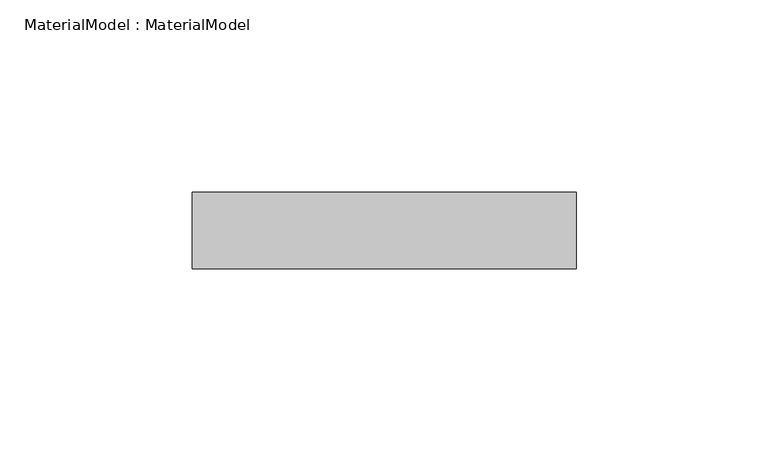
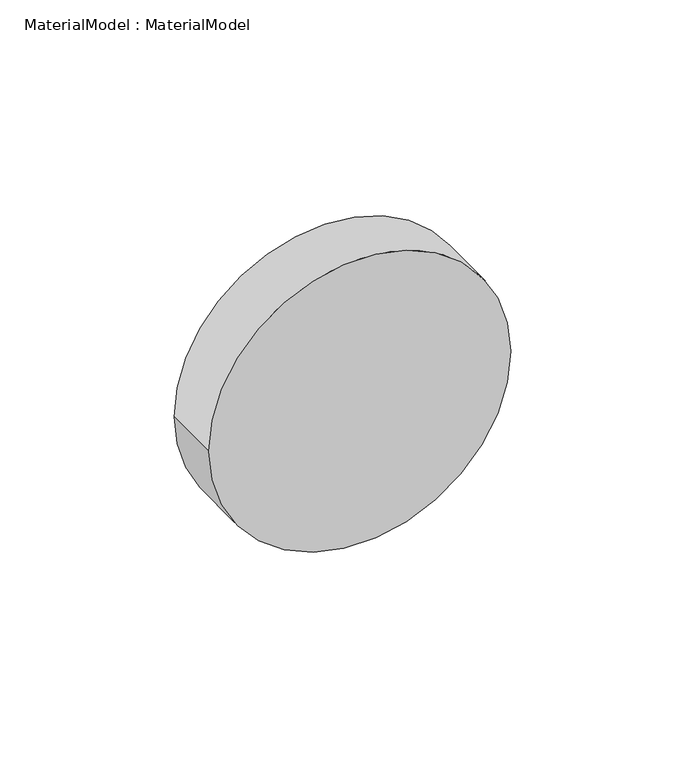
"""IFC4 building model written with IfcOpenShell, lengths in millimetres: proxy geometry, MaterialModel : MaterialModel."""

from ifc_helpers import new_model, si_unit, point, frame, frame_2d, origin, place, context, project, spatial, circle_curve, trimmed, segment, composite_curve, outline, extrude, source, transform, mapped, element, save


def materialmodel_materialmodel_13df9e44(model_context):
    return source(origin(), model_context, "Body", "SweptSolid", [
        extrude(outline(composite_curve([segment(trimmed(circle_curve(frame_2d((10.0, 0.0)), 50.0), [point((10.0, -50.0))], [point((10.0, 50.0))], False, "CARTESIAN"), True, "CONTINUOUS"), segment(trimmed(circle_curve(frame_2d((10.0, 0.0)), 50.0), [point((10.0, 50.0))], [point((10.0, -50.0))], False, "CARTESIAN"), True, "CONTINUOUS")], self_intersect=False)), frame((0.0, -10.0, 0.0), z_axis=(0.0, 1.0, 0.0), x_axis=(0.0, 0.0, 1.0)), (0.0, 0.0, 1.0), 20.0),
    ])


if __name__ == "__main__":
    model = new_model("IFC4")
    model_context = context("Model", 3, world=origin())
    ifc_project = project(units=[si_unit("LENGTHUNIT", "METRE", prefix="MILLI")], contexts=[model_context])
    site = spatial("IfcSite", under=ifc_project)
    building = spatial("IfcBuilding", under=site)
    placement = place(None, origin())
    materialmodel_materialmodel_shape = materialmodel_materialmodel_13df9e44(model_context)
    element("IfcBuildingElementProxy", 1, Name="MaterialModel : MaterialModel", ObjectType="MaterialModel : MaterialModel", at=placement, inside=building, context=model_context, shape_type="MappedRepresentation", body=[
        mapped(materialmodel_materialmodel_shape, transform((0.0, 0.0, 0.0), x_axis=(1.0, 0.0, 0.0), y_axis=(0.0, 1.0, 0.0), z_axis=(0.0, 0.0, 1.0))),
    ])
    save(model, "model.ifc")
